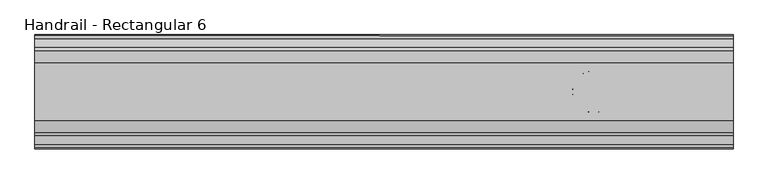
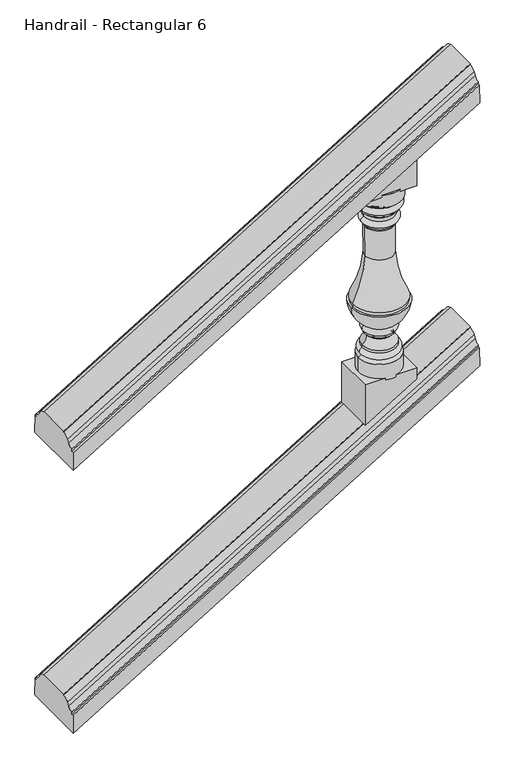
"""IFC4 building model written with IfcOpenShell, lengths in millimetres: railing geometry, Handrail - Rectangular 6."""

from ifc_helpers import new_model, si_unit, point, frame, origin, place, context, project, spatial, polyline, circle_curve, ellipse_curve, trimmed, outline, extrude, source, transform, mapped, element, save
from ifc_brep_helpers import plane_surface, cylinder_surface, revolved_surface, advanced_brep


def handrail_rectangular_6_29228ede(model_context):
    return source(origin(), model_context, "Body", "SolidModel", [
        advanced_brep(
        [(15813.9027138, 3915.5232089, 1199.0074207), (15813.9027138, 3932.6436506, 1210.4791063), (15813.9027138, 3939.1037227, 1221.5403426), (15813.9027138, 3963.1482089, 1232.4207421), (15813.9027138, 3963.1482089, 1236.1333333), (15813.9027138, 4079.0357089, 1236.1333333), (15813.9027138, 4079.0357089, 1232.4207421), (15813.9027138, 4103.080195, 1221.5403426), (15813.9027138, 4109.5402671, 1210.4791063), (15813.9027138, 4126.6607089, 1199.0074207), (15813.9027138, 4126.6607089, 1191.5822381), (15813.9027138, 4133.8044589, 1191.5822381), (15813.9027138, 4135.3919589, 1128.4681866), (15813.9027138, 3906.7919589, 1128.4681866), (15813.9027138, 3908.3794589, 1191.5822381), (15813.9027138, 3915.5232089, 1191.5822381), (17210.9027138, 3915.5232089, 2045.6740873), (17210.9027138, 3915.5232089, 2038.2489048), (17210.9027138, 3908.3794589, 2038.2489048), (17210.9027138, 3906.7919589, 1975.1348533), (17210.9027138, 4135.3919589, 1975.1348533), (17210.9027138, 4133.8044589, 2038.2489048), (17210.9027138, 4126.6607089, 2038.2489048), (17210.9027138, 4126.6607089, 2045.6740873), (17210.9027138, 4109.5402671, 2057.145773), (17210.9027138, 4103.080195, 2068.2070092), (17210.9027138, 4079.0357089, 2079.0874087), (17210.9027138, 4079.0357089, 2082.8), (17210.9027138, 3963.1482089, 2082.8), (17210.9027138, 3963.1482089, 2079.0874087), (17210.9027138, 3939.1037227, 2068.2070092), (17210.9027138, 3932.6436506, 2057.145773)],
        [
            (0, 1, ellipse_curve(frame((15813.9027138, 3915.5232089, 1222.2111161), z_axis=(1.0, 0.0, 0.0), x_axis=(0.0, 0.0, 1.0)), 23.2036954, 19.84375)),
            (1, 2),
            (2, 3, ellipse_curve(frame((15813.9027138, 3963.1482089, 1190.6540903), z_axis=(-1.0, 0.0, 0.0), x_axis=(0.0, 0.0, -1.0)), 41.7666517, 35.71875)),
            (3, 4),
            (4, 5),
            (5, 6),
            (6, 7, ellipse_curve(frame((15813.9027138, 4079.0357089, 1190.6540903), z_axis=(-1.0, 0.0, 0.0), x_axis=(0.0, 0.0, -1.0)), 41.7666517, 35.71875)),
            (7, 8),
            (8, 9, ellipse_curve(frame((15813.9027138, 4126.6607089, 1222.2111161), z_axis=(1.0, 0.0, 0.0), x_axis=(0.0, 0.0, 1.0)), 23.2036954, 19.84375)),
            (9, 10),
            (10, 11),
            (11, 12),
            (12, 13),
            (13, 14),
            (14, 15),
            (15, 0),
            (16, 17),
            (17, 18),
            (18, 19),
            (19, 20),
            (20, 21),
            (21, 22),
            (22, 23),
            (23, 24, ellipse_curve(frame((17210.9027138, 4126.6607089, 2068.8777828), z_axis=(-1.0, 0.0, 0.0), x_axis=(0.0, 0.0, 1.0)), 23.2036954, 19.84375)),
            (24, 25),
            (25, 26, ellipse_curve(frame((17210.9027138, 4079.0357089, 2037.320757), z_axis=(1.0, 0.0, 0.0), x_axis=(0.0, 0.0, -1.0)), 41.7666517, 35.71875)),
            (26, 27),
            (27, 28),
            (28, 29),
            (29, 30, ellipse_curve(frame((17210.9027138, 3963.1482089, 2037.320757), z_axis=(1.0, 0.0, 0.0), x_axis=(0.0, 0.0, -1.0)), 41.7666517, 35.71875)),
            (30, 31),
            (31, 16, ellipse_curve(frame((17210.9027138, 3915.5232089, 2068.8777828), z_axis=(-1.0, 0.0, 0.0), x_axis=(0.0, 0.0, 1.0)), 23.2036954, 19.84375)),
            (0, 16),
            (31, 1),
            (30, 2),
            (29, 3),
            (28, 4),
            (27, 5),
            (26, 6),
            (25, 7),
            (24, 8),
            (23, 9),
            (22, 10),
            (21, 11),
            (20, 12),
            (19, 13),
            (18, 14),
            (17, 15),
        ],
        [
            plane_surface(frame((15813.9027138, 4021.0919589, 1236.1333333), z_axis=(-1.0, 0.0, 0.0), x_axis=(0.0, 1.0, 0.0))),
            plane_surface(frame((17210.9027138, 4021.0919589, 2082.8), z_axis=(1.0, 0.0, 0.0), x_axis=(0.0, 1.0, 0.0))),
            revolved_surface(polyline([(17226.387982704495, 3932.643650672254, 2066.5307845075763), (15808.817883342452, 3932.643650672254, 1207.3973909549572)]), (15820.0737436, 3915.5232089, 1225.9511342), (0.8551978315540539, 0.0, 0.5183017160932848)),
            plane_surface(frame((15813.9027138, 3932.6436506, 1210.4791063), z_axis=(-0.29229904298269416, -0.8258052588880853, 0.482293420921521), x_axis=(0.8551978315540539, 0.0, 0.5183017160932848))),
            cylinder_surface(frame((15834.0614111, 3963.1482089, 1202.8714827), z_axis=(-0.8551978315540539, 0.0, -0.5183017160932848), x_axis=(-0.5183017160932848, 0.0, 0.8551978315540539)), 35.71875),
            plane_surface(frame((15813.9027138, 3963.1482089, 1232.4207421), z_axis=(0.0, -1.0, 0.0), x_axis=(0.8551978315540539, 0.0, 0.5183017160932848))),
            plane_surface(frame((15813.9027138, 3963.1482089, 1236.1333333), z_axis=(-0.5183017160932848, 0.0, 0.8551978315540539), x_axis=(0.8551978315540539, 0.0, 0.5183017160932848))),
            plane_surface(frame((15813.9027138, 4079.0357089, 1236.1333333), z_axis=(0.0, 1.0, 0.0), x_axis=(0.8551978315540539, 0.0, 0.5183017160932848))),
            cylinder_surface(frame((15834.0614111, 4079.0357089, 1202.8714827), z_axis=(-0.8551978315540539, 0.0, -0.5183017160932848), x_axis=(-0.5183017160932848, 0.0, 0.8551978315540539)), 35.71875),
            plane_surface(frame((15813.9027138, 4103.080195, 1221.5403426), z_axis=(-0.29229904298268944, 0.8258052588880915, 0.4822934209215132), x_axis=(0.8551978315540539, 0.0, 0.5183017160932848))),
            revolved_surface(polyline([(17226.387982704495, 4109.540267127746, 2066.5307845075763), (15808.817883342452, 4109.540267127746, 1207.3973909549572)]), (15820.0737436, 4126.6607089, 1225.9511342), (0.855197831554054, 0.0, 0.5183017160932848)),
            plane_surface(frame((15813.9027138, 4126.6607089, 1199.0074207), z_axis=(0.0, 1.0000000000000002, 0.0), x_axis=(0.8551978315540539, 0.0, 0.5183017160932849))),
            plane_surface(frame((15813.9027138, 4126.6607089, 1191.5822381), z_axis=(-0.5183017160932848, 0.0, 0.8551978315540539), x_axis=(0.8551978315540539, 0.0, 0.5183017160932848))),
            plane_surface(frame((15813.9027138, 4133.8044589, 1191.5822381), z_axis=(-0.015237578896775983, 0.9995677544643531, 0.02514200517968431), x_axis=(0.8551978315540539, 0.0, 0.5183017160932848))),
            plane_surface(frame((15813.9027138, 4135.3919589, 1128.4681866), z_axis=(0.5183017160932848, 0.0, -0.855197831554054), x_axis=(0.855197831554054, 0.0, 0.5183017160932848))),
            plane_surface(frame((15813.9027138, 3906.7919589, 1128.4681866), z_axis=(-0.015237578896776148, -0.9995677544643533, 0.02514200517968459), x_axis=(0.855197831554054, 0.0, 0.5183017160932848))),
            plane_surface(frame((15813.9027138, 3908.3794589, 1191.5822381), z_axis=(-0.5183017160932848, 0.0, 0.8551978315540539), x_axis=(0.8551978315540539, 0.0, 0.5183017160932848))),
            plane_surface(frame((15813.9027138, 3915.5232089, 1191.5822381), z_axis=(0.0, -1.0, 0.0), x_axis=(0.8551978315540539, 0.0, 0.5183017160932848))),
        ],
        [
            (0, [[1, 2, 3, 4, 5, 6, 7, 8, 9, 10, 11, 12, 13, 14, 15, 16]]),
            (1, [[17, 18, 19, 20, 21, 22, 23, 24, 25, 26, 27, 28, 29, 30, 31, 32]]),
            (2, [[-1, 33, -32, 34]]),
            (3, [[-2, -34, -31, 35]]),
            (4, [[-3, -35, -30, 36]]),
            (5, [[-4, -36, -29, 37]]),
            (6, [[-5, -37, -28, 38]]),
            (7, [[-6, -38, -27, 39]]),
            (8, [[-7, -39, -26, 40]]),
            (9, [[-8, -40, -25, 41]]),
            (10, [[-9, -41, -24, 42]]),
            (11, [[-10, -42, -23, 43]]),
            (12, [[-11, -43, -22, 44]]),
            (13, [[-12, -44, -21, 45]]),
            (14, [[-13, -45, -20, 46]]),
            (15, [[-14, -46, -19, 47]]),
            (16, [[-15, -47, -18, 48]]),
            (17, [[-16, -48, -17, -33]]),
        ],
    ),
        advanced_brep(
        [(15813.9027138, 3915.5232089, 243.3324207), (15813.9027138, 3932.6436506, 254.8041063), (15813.9027138, 3939.1037227, 265.8653426), (15813.9027138, 3963.1482089, 276.7457421), (15813.9027138, 3963.1482089, 280.4583333), (15813.9027138, 4079.0357089, 280.4583333), (15813.9027138, 4079.0357089, 276.7457421), (15813.9027138, 4103.080195, 265.8653426), (15813.9027138, 4109.5402671, 254.8041063), (15813.9027138, 4126.6607089, 243.3324207), (15813.9027138, 4126.6607089, 235.9072381), (15813.9027138, 4133.8044589, 235.9072381), (15813.9027138, 4135.3919589, 172.7931866), (15813.9027138, 3906.7919589, 172.7931866), (15813.9027138, 3908.3794589, 235.9072381), (15813.9027138, 3915.5232089, 235.9072381), (17210.9027138, 3915.5232089, 1089.9990873), (17210.9027138, 3915.5232089, 1082.5739048), (17210.9027138, 3908.3794589, 1082.5739048), (17210.9027138, 3906.7919589, 1019.4598533), (17210.9027138, 4135.3919589, 1019.4598533), (17210.9027138, 4133.8044589, 1082.5739048), (17210.9027138, 4126.6607089, 1082.5739048), (17210.9027138, 4126.6607089, 1089.9990873), (17210.9027138, 4109.5402671, 1101.470773), (17210.9027138, 4103.080195, 1112.5320092), (17210.9027138, 4079.0357089, 1123.4124087), (17210.9027138, 4079.0357089, 1127.125), (17210.9027138, 3963.1482089, 1127.125), (17210.9027138, 3963.1482089, 1123.4124087), (17210.9027138, 3939.1037227, 1112.5320092), (17210.9027138, 3932.6436506, 1101.470773)],
        [
            (0, 1, ellipse_curve(frame((15813.9027138, 3915.5232089, 266.5361161), z_axis=(1.0, 0.0, 0.0), x_axis=(0.0, 0.0, 1.0)), 23.2036954, 19.84375)),
            (1, 2),
            (2, 3, ellipse_curve(frame((15813.9027138, 3963.1482089, 234.9790903), z_axis=(-1.0, 0.0, 0.0), x_axis=(0.0, 0.0, -1.0)), 41.7666517, 35.71875)),
            (3, 4),
            (4, 5),
            (5, 6),
            (6, 7, ellipse_curve(frame((15813.9027138, 4079.0357089, 234.9790903), z_axis=(-1.0, 0.0, 0.0), x_axis=(0.0, 0.0, -1.0)), 41.7666517, 35.71875)),
            (7, 8),
            (8, 9, ellipse_curve(frame((15813.9027138, 4126.6607089, 266.5361161), z_axis=(1.0, 0.0, 0.0), x_axis=(0.0, 0.0, 1.0)), 23.2036954, 19.84375)),
            (9, 10),
            (10, 11),
            (11, 12),
            (12, 13),
            (13, 14),
            (14, 15),
            (15, 0),
            (16, 17),
            (17, 18),
            (18, 19),
            (19, 20),
            (20, 21),
            (21, 22),
            (22, 23),
            (23, 24, ellipse_curve(frame((17210.9027138, 4126.6607089, 1113.2027828), z_axis=(-1.0, 0.0, 0.0), x_axis=(0.0, 0.0, 1.0)), 23.2036954, 19.84375)),
            (24, 25),
            (25, 26, ellipse_curve(frame((17210.9027138, 4079.0357089, 1081.645757), z_axis=(1.0, 0.0, 0.0), x_axis=(0.0, 0.0, -1.0)), 41.7666517, 35.71875)),
            (26, 27),
            (27, 28),
            (28, 29),
            (29, 30, ellipse_curve(frame((17210.9027138, 3963.1482089, 1081.645757), z_axis=(1.0, 0.0, 0.0), x_axis=(0.0, 0.0, -1.0)), 41.7666517, 35.71875)),
            (30, 31),
            (31, 16, ellipse_curve(frame((17210.9027138, 3915.5232089, 1113.2027828), z_axis=(-1.0, 0.0, 0.0), x_axis=(0.0, 0.0, 1.0)), 23.2036954, 19.84375)),
            (0, 16),
            (31, 1),
            (30, 2),
            (29, 3),
            (28, 4),
            (27, 5),
            (26, 6),
            (25, 7),
            (24, 8),
            (23, 9),
            (22, 10),
            (21, 11),
            (20, 12),
            (19, 13),
            (18, 14),
            (17, 15),
        ],
        [
            plane_surface(frame((15813.9027138, 4021.0919589, 280.4583333), z_axis=(-1.0, 0.0, 0.0), x_axis=(0.0, 1.0, 0.0))),
            plane_surface(frame((17210.9027138, 4021.0919589, 1127.125), z_axis=(1.0, 0.0, 0.0), x_axis=(0.0, 1.0, 0.0))),
            revolved_surface(polyline([(17226.387982704495, 3932.643650672254, 1110.8557845075768), (15808.817883342452, 3932.643650672254, 251.72239095495712)]), (15820.0737436, 3915.5232089, 270.2761342), (0.8551978315540539, 0.0, 0.518301716093285)),
            plane_surface(frame((15813.9027138, 3932.6436506, 254.8041063), z_axis=(-0.29229904298269427, -0.8258052588880855, 0.4822934209215209), x_axis=(0.8551978315540539, 0.0, 0.518301716093285))),
            cylinder_surface(frame((15834.0614111, 3963.1482089, 247.1964827), z_axis=(-0.8551978315540539, 0.0, -0.518301716093285), x_axis=(-0.518301716093285, 0.0, 0.8551978315540539)), 35.71875),
            plane_surface(frame((15813.9027138, 3963.1482089, 276.7457421), z_axis=(0.0, -1.0000000000000002, 0.0), x_axis=(0.8551978315540539, 0.0, 0.518301716093285))),
            plane_surface(frame((15813.9027138, 3963.1482089, 280.4583333), z_axis=(-0.518301716093285, 0.0, 0.8551978315540539), x_axis=(0.8551978315540539, 0.0, 0.518301716093285))),
            plane_surface(frame((15813.9027138, 4079.0357089, 280.4583333), z_axis=(0.0, 1.0000000000000002, 0.0), x_axis=(0.8551978315540539, 0.0, 0.518301716093285))),
            cylinder_surface(frame((15834.0614111, 4079.0357089, 247.1964827), z_axis=(-0.8551978315540539, 0.0, -0.518301716093285), x_axis=(-0.518301716093285, 0.0, 0.8551978315540539)), 35.71875),
            plane_surface(frame((15813.9027138, 4103.080195, 265.8653426), z_axis=(-0.2922990429826896, 0.8258052588880918, 0.4822934209215132), x_axis=(0.8551978315540539, 0.0, 0.518301716093285))),
            revolved_surface(polyline([(17226.387982704495, 4109.540267127746, 1110.8557845075768), (15808.817883342452, 4109.540267127746, 251.72239095495718)]), (15820.0737436, 4126.6607089, 270.2761342), (0.8551978315540539, 0.0, 0.518301716093285)),
            plane_surface(frame((15813.9027138, 4126.6607089, 243.3324207), z_axis=(0.0, 1.0000000000000002, 0.0), x_axis=(0.8551978315540539, 0.0, 0.518301716093285))),
            plane_surface(frame((15813.9027138, 4126.6607089, 235.9072381), z_axis=(-0.518301716093285, 0.0, 0.8551978315540539), x_axis=(0.8551978315540539, 0.0, 0.518301716093285))),
            plane_surface(frame((15813.9027138, 4133.8044589, 235.9072381), z_axis=(-0.015237578896775988, 0.9995677544643533, 0.02514200517968431), x_axis=(0.8551978315540539, 0.0, 0.518301716093285))),
            plane_surface(frame((15813.9027138, 4135.3919589, 172.7931866), z_axis=(0.518301716093285, 0.0, -0.8551978315540539), x_axis=(0.8551978315540539, 0.0, 0.518301716093285))),
            plane_surface(frame((15813.9027138, 3906.7919589, 172.7931866), z_axis=(-0.015237578896776153, -0.9995677544643533, 0.02514200517968458), x_axis=(0.8551978315540539, 0.0, 0.518301716093285))),
            plane_surface(frame((15813.9027138, 3908.3794589, 235.9072381), z_axis=(-0.518301716093285, 0.0, 0.8551978315540539), x_axis=(0.8551978315540539, 0.0, 0.518301716093285))),
            plane_surface(frame((15813.9027138, 3915.5232089, 235.9072381), z_axis=(0.0, -1.0000000000000002, 0.0), x_axis=(0.8551978315540539, 0.0, 0.518301716093285))),
        ],
        [
            (0, [[1, 2, 3, 4, 5, 6, 7, 8, 9, 10, 11, 12, 13, 14, 15, 16]]),
            (1, [[17, 18, 19, 20, 21, 22, 23, 24, 25, 26, 27, 28, 29, 30, 31, 32]]),
            (2, [[-1, 33, -32, 34]]),
            (3, [[-2, -34, -31, 35]]),
            (4, [[-3, -35, -30, 36]]),
            (5, [[-4, -36, -29, 37]]),
            (6, [[-5, -37, -28, 38]]),
            (7, [[-6, -38, -27, 39]]),
            (8, [[-7, -39, -26, 40]]),
            (9, [[-8, -40, -25, 41]]),
            (10, [[-9, -41, -24, 42]]),
            (11, [[-10, -42, -23, 43]]),
            (12, [[-11, -43, -22, 44]]),
            (13, [[-12, -44, -21, 45]]),
            (14, [[-13, -45, -20, 46]]),
            (15, [[-14, -46, -19, 47]]),
            (16, [[-15, -47, -18, 48]]),
            (17, [[-16, -48, -17, -33]]),
        ],
    ),
        advanced_brep(
        [(16855.3027138, 4021.0919589, 1719.9340933), (17007.7027138, 4021.0919589, 1719.9340933), (16931.5027138, 4021.0919589, 1719.9340933), (16855.3027138, 4021.0919589, 1674.2130291), (17007.7027138, 4021.0919589, 1674.2130291), (16867.4317502, 4021.0919589, 1662.9967842), (16995.5736774, 4021.0919589, 1662.9967842), (16867.6769912, 4021.0919589, 1639.9588287), (16995.3284364, 4021.0919589, 1639.9588287), (16867.6769912, 4021.0919589, 1631.8710315), (16995.3284364, 4021.0919589, 1631.8710315), (16876.5055103, 4021.0919589, 1623.2930703), (16986.4999173, 4021.0919589, 1623.2930703), (16878.8417878, 4021.0919589, 1608.9881453), (16984.1636397, 4021.0919589, 1608.9881453), (16878.8417878, 4021.0919589, 1586.9305308), (16984.1636397, 4021.0919589, 1586.9305308), (16878.8417878, 4021.0919589, 1578.6465933), (16984.1636397, 4021.0919589, 1578.6465933), (16882.714095, 4021.0919589, 1570.9264322), (16980.2913325, 4021.0919589, 1570.9264322), (16883.5235709, 4021.0919589, 1464.7476495), (16979.4818566, 4021.0919589, 1464.7476495), (16839.9642735, 4021.0919589, 1304.8028433), (17023.041154, 4021.0919589, 1304.8028433), (16842.066154, 4021.0919589, 1304.8028433), (17020.9392735, 4021.0919589, 1304.8028433), (16842.066154, 4021.0919589, 1292.1028433), (17020.9392735, 4021.0919589, 1292.1028433), (16834.6652138, 4021.0919589, 1292.1028433), (17028.3402138, 4021.0919589, 1292.1028433), (16880.5912706, 4021.0919589, 1214.7364388), (16982.4141569, 4021.0919589, 1214.7364388), (16880.7326309, 4021.0919589, 1191.3728619), (16982.2727966, 4021.0919589, 1191.3728619), (16880.7326309, 4021.0919589, 1183.8932293), (16982.2727966, 4021.0919589, 1183.8932293), (16888.684671, 4021.0919589, 1175.0111645), (16974.3207565, 4021.0919589, 1175.0111645), (16873.7161377, 4021.0919589, 1143.2227214), (16989.2892899, 4021.0919589, 1143.2227214), (16873.7161377, 4021.0919589, 1133.8731856), (16989.2892899, 4021.0919589, 1133.8731856), (16871.3772921, 4021.0919589, 1112.3692396), (16991.6281354, 4021.0919589, 1112.3692396), (16859.2924308, 4021.0919589, 1102.5757839), (17003.7129967, 4021.0919589, 1102.5757839), (16859.2924308, 4021.0919589, 1043.6590933), (17003.7129967, 4021.0919589, 1043.6590933), (16931.5027138, 4021.0919589, 1043.6590933)],
        [
            (0, 1, circle_curve(frame((16931.5027138, 4021.0919589, 1719.9340933), z_axis=(0.0, 0.0, 1.0), x_axis=(1.0, 0.0, 0.0)), 76.2)),
            (1, 2),
            (2, 0),
            (1, 0, circle_curve(frame((16931.5027138, 4021.0919589, 1719.9340933), z_axis=(0.0, 0.0, 1.0), x_axis=(1.0, 0.0, 0.0)), 76.2)),
            (3, 4, circle_curve(frame((16931.5027138, 4021.0919589, 1674.2130291), z_axis=(0.0, 0.0, 1.0), x_axis=(1.0, 0.0, 0.0)), 76.2)),
            (4, 1),
            (0, 3),
            (4, 3, circle_curve(frame((16931.5027138, 4021.0919589, 1674.2130291), z_axis=(0.0, 0.0, 1.0), x_axis=(1.0, 0.0, 0.0)), 76.2)),
            (5, 6, circle_curve(frame((16931.5027138, 4021.0919589, 1662.9967842), z_axis=(0.0, 0.0, 1.0), x_axis=(1.0, 0.0, 0.0)), 64.0709636)),
            (6, 4, circle_curve(frame((17007.7162278, 4021.0919589, 1662.0322367), z_axis=(0.0, 1.0, 0.0), x_axis=(-1.0, 0.0, 0.0)), 12.1807998)),
            (3, 5, circle_curve(frame((16855.2891997, 4021.0919589, 1662.0322367), z_axis=(0.0, 1.0, 0.0), x_axis=(1.0, 0.0, 0.0)), 12.1807998)),
            (6, 5, circle_curve(frame((16931.5027138, 4021.0919589, 1662.9967842), z_axis=(0.0, 0.0, 1.0), x_axis=(1.0, 0.0, 0.0)), 64.0709636)),
            (7, 8, circle_curve(frame((16931.5027138, 4021.0919589, 1639.9588287), z_axis=(0.0, 0.0, 1.0), x_axis=(1.0, 0.0, 0.0)), 63.8257226)),
            (8, 6, circle_curve(frame((16993.162344, 4021.0919589, 1651.50217), z_axis=(0.0, -1.0, 0.0), x_axis=(-1.0, 0.0, 0.0)), 11.7448152)),
            (5, 7, circle_curve(frame((16869.8430835, 4021.0919589, 1651.50217), z_axis=(0.0, -1.0, 0.0), x_axis=(1.0, 0.0, 0.0)), 11.7448152)),
            (8, 7, circle_curve(frame((16931.5027138, 4021.0919589, 1639.9588287), z_axis=(0.0, 0.0, 1.0), x_axis=(1.0, 0.0, 0.0)), 63.8257226)),
            (9, 10, circle_curve(frame((16931.5027138, 4021.0919589, 1631.8710315), z_axis=(0.0, 0.0, 1.0), x_axis=(1.0, 0.0, 0.0)), 63.8257226)),
            (10, 8),
            (7, 9),
            (10, 9, circle_curve(frame((16931.5027138, 4021.0919589, 1631.8710315), z_axis=(0.0, 0.0, 1.0), x_axis=(1.0, 0.0, 0.0)), 63.8257226)),
            (11, 12, circle_curve(frame((16931.5027138, 4021.0919589, 1623.2930703), z_axis=(0.0, 0.0, 1.0), x_axis=(1.0, 0.0, 0.0)), 54.9972035)),
            (12, 10, circle_curve(frame((16999.7304457, 4021.0919589, 1618.5082632), z_axis=(0.0, 1.0, 0.0), x_axis=(-1.0, 0.0, 0.0)), 14.06916)),
            (9, 11, circle_curve(frame((16863.2749818, 4021.0919589, 1618.5082632), z_axis=(0.0, 1.0, 0.0), x_axis=(1.0, 0.0, 0.0)), 14.06916)),
            (12, 11, circle_curve(frame((16931.5027138, 4021.0919589, 1623.2930703), z_axis=(0.0, 0.0, 1.0), x_axis=(1.0, 0.0, 0.0)), 54.9972035)),
            (13, 14, circle_curve(frame((16931.5027138, 4021.0919589, 1608.9881453), z_axis=(0.0, 0.0, 1.0), x_axis=(1.0, 0.0, 0.0)), 52.660926)),
            (14, 12, circle_curve(frame((17013.1227722, 4021.0919589, 1611.6017881), z_axis=(0.0, 1.0, 0.0), x_axis=(-1.0, 0.0, 0.0)), 29.0768376)),
            (11, 13, circle_curve(frame((16849.8826553, 4021.0919589, 1611.6017881), z_axis=(0.0, 1.0, 0.0), x_axis=(1.0, 0.0, 0.0)), 29.0768376)),
            (14, 13, circle_curve(frame((16931.5027138, 4021.0919589, 1608.9881453), z_axis=(0.0, 0.0, 1.0), x_axis=(1.0, 0.0, 0.0)), 52.660926)),
            (15, 16, circle_curve(frame((16931.5027138, 4021.0919589, 1586.9305308), z_axis=(0.0, 0.0, 1.0), x_axis=(1.0, 0.0, 0.0)), 52.660926)),
            (16, 14, circle_curve(frame((16983.7094065, 4021.0919589, 1597.9593381), z_axis=(0.0, -1.0, 0.0), x_axis=(-1.0, 0.0, 0.0)), 11.0381573)),
            (13, 15, circle_curve(frame((16879.296021, 4021.0919589, 1597.9593381), z_axis=(0.0, -1.0, 0.0), x_axis=(1.0, 0.0, 0.0)), 11.0381573)),
            (16, 15, circle_curve(frame((16931.5027138, 4021.0919589, 1586.9305308), z_axis=(0.0, 0.0, 1.0), x_axis=(1.0, 0.0, 0.0)), 52.660926)),
            (17, 18, circle_curve(frame((16931.5027138, 4021.0919589, 1578.6465933), z_axis=(0.0, 0.0, 1.0), x_axis=(1.0, 0.0, 0.0)), 52.660926)),
            (18, 16),
            (15, 17),
            (18, 17, circle_curve(frame((16931.5027138, 4021.0919589, 1578.6465933), z_axis=(0.0, 0.0, 1.0), x_axis=(1.0, 0.0, 0.0)), 52.660926)),
            (19, 20, circle_curve(frame((16931.5027138, 4021.0919589, 1570.9264322), z_axis=(0.0, 0.0, 1.0), x_axis=(1.0, 0.0, 0.0)), 48.7886187)),
            (20, 18, circle_curve(frame((16991.5302832, 4021.0919589, 1570.1203811), z_axis=(0.0, 1.0, 0.0), x_axis=(-1.0, 0.0, 0.0)), 11.2678184)),
            (17, 19, circle_curve(frame((16871.4751443, 4021.0919589, 1570.1203811), z_axis=(0.0, 1.0, 0.0), x_axis=(1.0, 0.0, 0.0)), 11.2678184)),
            (20, 19, circle_curve(frame((16931.5027138, 4021.0919589, 1570.9264322), z_axis=(0.0, 0.0, 1.0), x_axis=(1.0, 0.0, 0.0)), 48.7886187)),
            (21, 22, circle_curve(frame((16931.5027138, 4021.0919589, 1464.7476495), z_axis=(0.0, 0.0, 1.0), x_axis=(1.0, 0.0, 0.0)), 47.9791428)),
            (22, 20, circle_curve(frame((17808.6224017, 4021.0919589, 1511.519002), z_axis=(0.0, 1.0, 0.0), x_axis=(-1.0, 0.0, 0.0)), 830.4586702)),
            (19, 21, circle_curve(frame((16054.3830258, 4021.0919589, 1511.519002), z_axis=(0.0, 1.0, 0.0), x_axis=(1.0, 0.0, 0.0)), 830.4586702)),
            (22, 21, circle_curve(frame((16931.5027138, 4021.0919589, 1464.7476495), z_axis=(0.0, 0.0, 1.0), x_axis=(1.0, 0.0, 0.0)), 47.9791428)),
            (23, 24, circle_curve(frame((16931.5027138, 4021.0919589, 1304.8028433), z_axis=(0.0, 0.0, 1.0), x_axis=(1.0, 0.0, 0.0)), 91.5384403)),
            (24, 22, circle_curve(frame((17377.3136369, 4021.0919589, 1487.1891168), z_axis=(0.0, 1.0, 0.0), x_axis=(-1.0, 0.0, 0.0)), 398.4642329)),
            (21, 23, circle_curve(frame((16485.6917906, 4021.0919589, 1487.1891168), z_axis=(0.0, 1.0, 0.0), x_axis=(1.0, 0.0, 0.0)), 398.4642329)),
            (24, 23, circle_curve(frame((16931.5027138, 4021.0919589, 1304.8028433), z_axis=(0.0, 0.0, 1.0), x_axis=(1.0, 0.0, 0.0)), 91.5384403)),
            (25, 26, circle_curve(frame((16931.5027138, 4021.0919589, 1304.8028433), z_axis=(0.0, 0.0, 1.0), x_axis=(1.0, 0.0, 0.0)), 89.4365597)),
            (26, 24),
            (23, 25),
            (26, 25, circle_curve(frame((16931.5027138, 4021.0919589, 1304.8028433), z_axis=(0.0, 0.0, 1.0), x_axis=(1.0, 0.0, 0.0)), 89.4365597)),
            (27, 28, circle_curve(frame((16931.5027138, 4021.0919589, 1292.1028433), z_axis=(0.0, 0.0, 1.0), x_axis=(1.0, 0.0, 0.0)), 89.4365597)),
            (28, 26),
            (25, 27),
            (28, 27, circle_curve(frame((16931.5027138, 4021.0919589, 1292.1028433), z_axis=(0.0, 0.0, 1.0), x_axis=(1.0, 0.0, 0.0)), 89.4365597)),
            (29, 30, circle_curve(frame((16931.5027138, 4021.0919589, 1292.1028433), z_axis=(0.0, 0.0, 1.0), x_axis=(1.0, 0.0, 0.0)), 96.8375)),
            (30, 28),
            (27, 29),
            (30, 29, circle_curve(frame((16931.5027138, 4021.0919589, 1292.1028433), z_axis=(0.0, 0.0, 1.0), x_axis=(1.0, 0.0, 0.0)), 96.8375)),
            (31, 32, circle_curve(frame((16931.5027138, 4021.0919589, 1214.7364388), z_axis=(0.0, 0.0, 1.0), x_axis=(1.0, 0.0, 0.0)), 50.9114432)),
            (32, 30, circle_curve(frame((16923.8610284, 4021.0919589, 1301.8090639), z_axis=(0.0, -1.0, 0.0), x_axis=(-1.0, 0.0, 0.0)), 104.9290756)),
            (29, 31, circle_curve(frame((16939.1443992, 4021.0919589, 1301.8090639), z_axis=(0.0, -1.0, 0.0), x_axis=(1.0, 0.0, 0.0)), 104.9290756)),
            (32, 31, circle_curve(frame((16931.5027138, 4021.0919589, 1214.7364388), z_axis=(0.0, 0.0, 1.0), x_axis=(1.0, 0.0, 0.0)), 50.9114432)),
            (33, 34, circle_curve(frame((16931.5027138, 4021.0919589, 1191.3728619), z_axis=(0.0, 0.0, 1.0), x_axis=(1.0, 0.0, 0.0)), 50.7700828)),
            (34, 32, circle_curve(frame((16977.0408029, 4021.0919589, 1203.086734), z_axis=(0.0, -1.0, 0.0), x_axis=(-1.0, 0.0, 0.0)), 12.8292072)),
            (31, 33, circle_curve(frame((16885.9646246, 4021.0919589, 1203.086734), z_axis=(0.0, -1.0, 0.0), x_axis=(1.0, 0.0, 0.0)), 12.8292072)),
            (34, 33, circle_curve(frame((16931.5027138, 4021.0919589, 1191.3728619), z_axis=(0.0, 0.0, 1.0), x_axis=(1.0, 0.0, 0.0)), 50.7700828)),
            (35, 36, circle_curve(frame((16931.5027138, 4021.0919589, 1183.8932293), z_axis=(0.0, 0.0, 1.0), x_axis=(1.0, 0.0, 0.0)), 50.7700828)),
            (36, 34),
            (33, 35),
            (36, 35, circle_curve(frame((16931.5027138, 4021.0919589, 1183.8932293), z_axis=(0.0, 0.0, 1.0), x_axis=(1.0, 0.0, 0.0)), 50.7700828)),
            (37, 38, circle_curve(frame((16931.5027138, 4021.0919589, 1175.0111645), z_axis=(0.0, 0.0, 1.0), x_axis=(1.0, 0.0, 0.0)), 42.8180427)),
            (38, 36, circle_curve(frame((16984.2181347, 4021.0919589, 1174.1508534), z_axis=(0.0, 1.0, 0.0), x_axis=(-1.0, 0.0, 0.0)), 9.9346983)),
            (35, 37, circle_curve(frame((16878.7872929, 4021.0919589, 1174.1508534), z_axis=(0.0, 1.0, 0.0), x_axis=(1.0, 0.0, 0.0)), 9.9346983)),
            (38, 37, circle_curve(frame((16931.5027138, 4021.0919589, 1175.0111645), z_axis=(0.0, 0.0, 1.0), x_axis=(1.0, 0.0, 0.0)), 42.8180427)),
            (39, 40, circle_curve(frame((16931.5027138, 4021.0919589, 1143.2227214), z_axis=(0.0, 0.0, 1.0), x_axis=(1.0, 0.0, 0.0)), 57.7865761)),
            (40, 38, circle_curve(frame((17009.1330751, 4021.0919589, 1171.9851686), z_axis=(0.0, 1.0, 0.0), x_axis=(-1.0, 0.0, 0.0)), 34.9435857)),
            (37, 39, circle_curve(frame((16853.8723524, 4021.0919589, 1171.9851686), z_axis=(0.0, 1.0, 0.0), x_axis=(1.0, 0.0, 0.0)), 34.9435857)),
            (40, 39, circle_curve(frame((16931.5027138, 4021.0919589, 1143.2227214), z_axis=(0.0, 0.0, 1.0), x_axis=(1.0, 0.0, 0.0)), 57.7865761)),
            (41, 42, circle_curve(frame((16931.5027138, 4021.0919589, 1133.8731856), z_axis=(0.0, 0.0, 1.0), x_axis=(1.0, 0.0, 0.0)), 57.7865761)),
            (42, 40),
            (39, 41),
            (42, 41, circle_curve(frame((16931.5027138, 4021.0919589, 1133.8731856), z_axis=(0.0, 0.0, 1.0), x_axis=(1.0, 0.0, 0.0)), 57.7865761)),
            (43, 44, circle_curve(frame((16931.5027138, 4021.0919589, 1112.3692396), z_axis=(0.0, 0.0, 1.0), x_axis=(1.0, 0.0, 0.0)), 60.1254216)),
            (44, 42, circle_curve(frame((16988.675307, 4021.0919589, 1122.9272431), z_axis=(0.0, -1.0, 0.0), x_axis=(-1.0, 0.0, 0.0)), 10.9631488)),
            (41, 43, circle_curve(frame((16874.3301206, 4021.0919589, 1122.9272431), z_axis=(0.0, -1.0, 0.0), x_axis=(1.0, 0.0, 0.0)), 10.9631488)),
            (44, 43, circle_curve(frame((16931.5027138, 4021.0919589, 1112.3692396), z_axis=(0.0, 0.0, 1.0), x_axis=(1.0, 0.0, 0.0)), 60.1254216)),
            (45, 46, circle_curve(frame((16931.5027138, 4021.0919589, 1102.5757839), z_axis=(0.0, 0.0, 1.0), x_axis=(1.0, 0.0, 0.0)), 72.210283)),
            (46, 44, circle_curve(frame((17009.8438996, 4021.0919589, 1122.4940783), z_axis=(0.0, 1.0, 0.0), x_axis=(-1.0, 0.0, 0.0)), 20.8404996)),
            (43, 45, circle_curve(frame((16853.1615279, 4021.0919589, 1122.4940783), z_axis=(0.0, 1.0, 0.0), x_axis=(1.0, 0.0, 0.0)), 20.8404996)),
            (46, 45, circle_curve(frame((16931.5027138, 4021.0919589, 1102.5757839), z_axis=(0.0, 0.0, 1.0), x_axis=(1.0, 0.0, 0.0)), 72.210283)),
            (47, 48, circle_curve(frame((16931.5027138, 4021.0919589, 1043.6590933), z_axis=(0.0, 0.0, 1.0), x_axis=(1.0, 0.0, 0.0)), 72.210283)),
            (48, 46),
            (45, 47),
            (48, 47, circle_curve(frame((16931.5027138, 4021.0919589, 1043.6590933), z_axis=(0.0, 0.0, 1.0), x_axis=(1.0, 0.0, 0.0)), 72.210283)),
            (49, 48),
            (47, 49),
        ],
        [
            plane_surface(frame((16931.5027138, 4021.0919589, 1719.9340933), z_axis=(0.0, 0.0, 1.0), x_axis=(1.0, 0.0, 0.0))),
            cylinder_surface(frame((16931.5027138, 4021.0919589, 1672.3090933), z_axis=(0.0, 0.0, -1.0), x_axis=(1.0, 0.0, 0.0)), 76.2),
            revolved_surface(trimmed(ellipse_curve(frame((17007.7162278, 4021.0919589, 1662.0322367), z_axis=(0.0, -1.0, 0.0), x_axis=(-1.0, 0.0, 0.0)), 12.1807998, 12.1807998), [point((17007.7027138, 4021.0919589, 1674.2130291))], [point((16995.5736774, 4021.0919589, 1662.9967842))], True, "CARTESIAN"), (16931.5027138, 4021.0919589, 1672.3090933), (0.0, 0.0, -1.0)),
            revolved_surface(trimmed(ellipse_curve(frame((16993.162344, 4021.0919589, 1651.50217), z_axis=(0.0, 1.0, 0.0), x_axis=(-1.0, 0.0, 0.0)), 11.7448152, 11.7448152), [point((16995.5736774, 4021.0919589, 1662.9967842))], [point((16995.3284364, 4021.0919589, 1639.9588287))], True, "CARTESIAN"), (16931.5027138, 4021.0919589, 1672.3090933), (0.0, 0.0, -1.0)),
            cylinder_surface(frame((16931.5027138, 4021.0919589, 1672.3090933), z_axis=(0.0, 0.0, -1.0), x_axis=(1.0, 0.0, 0.0)), 63.8257226),
            revolved_surface(trimmed(ellipse_curve(frame((16999.7304457, 4021.0919589, 1618.5082632), z_axis=(0.0, -1.0, 0.0), x_axis=(-1.0, 0.0, 0.0)), 14.06916, 14.06916), [point((16995.3284364, 4021.0919589, 1631.8710315))], [point((16986.4999173, 4021.0919589, 1623.2930703))], True, "CARTESIAN"), (16931.5027138, 4021.0919589, 1672.3090933), (0.0, 0.0, -1.0)),
            revolved_surface(trimmed(ellipse_curve(frame((17013.1227722, 4021.0919589, 1611.6017881), z_axis=(0.0, -1.0, 0.0), x_axis=(-1.0, 0.0, 0.0)), 29.0768376, 29.0768376), [point((16986.4999173, 4021.0919589, 1623.2930703))], [point((16984.1636397, 4021.0919589, 1608.9881453))], True, "CARTESIAN"), (16931.5027138, 4021.0919589, 1672.3090933), (0.0, 0.0, -1.0)),
            revolved_surface(trimmed(ellipse_curve(frame((16983.7094065, 4021.0919589, 1597.9593381), z_axis=(0.0, 1.0, 0.0), x_axis=(-1.0, 0.0, 0.0)), 11.0381573, 11.0381573), [point((16984.1636397, 4021.0919589, 1608.9881453))], [point((16984.1636397, 4021.0919589, 1586.9305308))], True, "CARTESIAN"), (16931.5027138, 4021.0919589, 1672.3090933), (0.0, 0.0, -1.0)),
            cylinder_surface(frame((16931.5027138, 4021.0919589, 1672.3090933), z_axis=(0.0, 0.0, -1.0), x_axis=(1.0, 0.0, 0.0)), 52.660926),
            revolved_surface(trimmed(ellipse_curve(frame((16991.5302832, 4021.0919589, 1570.1203811), z_axis=(0.0, -1.0, 0.0), x_axis=(-1.0, 0.0, 0.0)), 11.2678184, 11.2678184), [point((16984.1636397, 4021.0919589, 1578.6465933))], [point((16980.2913325, 4021.0919589, 1570.9264322))], True, "CARTESIAN"), (16931.5027138, 4021.0919589, 1672.3090933), (0.0, 0.0, -1.0)),
            revolved_surface(trimmed(ellipse_curve(frame((17808.6224017, 4021.0919589, 1511.519002), z_axis=(0.0, -1.0, 0.0), x_axis=(-1.0, 0.0, 0.0)), 830.4586702, 830.4586702), [point((16980.2913325, 4021.0919589, 1570.9264322))], [point((16979.4818566, 4021.0919589, 1464.7476495))], True, "CARTESIAN"), (16931.5027138, 4021.0919589, 1672.3090933), (0.0, 0.0, -1.0)),
            revolved_surface(trimmed(ellipse_curve(frame((17377.3136369, 4021.0919589, 1487.1891168), z_axis=(0.0, -1.0, 0.0), x_axis=(-1.0, 0.0, 0.0)), 398.4642329, 398.4642329), [point((16979.4818566, 4021.0919589, 1464.7476495))], [point((17023.041154, 4021.0919589, 1304.8028433))], True, "CARTESIAN"), (16931.5027138, 4021.0919589, 1672.3090933), (0.0, 0.0, -1.0)),
            plane_surface(frame((16931.5027138, 4021.0919589, 1304.8028433), z_axis=(0.0, 0.0, -1.0), x_axis=(1.0, 0.0, 0.0))),
            cylinder_surface(frame((16931.5027138, 4021.0919589, 1672.3090933), z_axis=(0.0, 0.0, -1.0), x_axis=(1.0, 0.0, 0.0)), 89.4365597),
            plane_surface(frame((16931.5027138, 4021.0919589, 1292.1028433), z_axis=(0.0, 0.0, 1.0), x_axis=(1.0, 0.0, 0.0))),
            revolved_surface(trimmed(ellipse_curve(frame((16923.8610284, 4021.0919589, 1301.8090639), z_axis=(0.0, 1.0, 0.0), x_axis=(-1.0, 0.0, 0.0)), 104.9290756, 104.9290756), [point((17028.3402138, 4021.0919589, 1292.1028433))], [point((16982.4141569, 4021.0919589, 1214.7364388))], True, "CARTESIAN"), (16931.5027138, 4021.0919589, 1672.3090933), (0.0, 0.0, -1.0)),
            revolved_surface(trimmed(ellipse_curve(frame((16977.0408029, 4021.0919589, 1203.086734), z_axis=(0.0, 1.0, 0.0), x_axis=(-1.0, 0.0, 0.0)), 12.8292072, 12.8292072), [point((16982.4141569, 4021.0919589, 1214.7364388))], [point((16982.2727966, 4021.0919589, 1191.3728619))], True, "CARTESIAN"), (16931.5027138, 4021.0919589, 1672.3090933), (0.0, 0.0, -1.0)),
            cylinder_surface(frame((16931.5027138, 4021.0919589, 1672.3090933), z_axis=(0.0, 0.0, -1.0), x_axis=(1.0, 0.0, 0.0)), 50.7700828),
            revolved_surface(trimmed(ellipse_curve(frame((16984.2181347, 4021.0919589, 1174.1508534), z_axis=(0.0, -1.0, 0.0), x_axis=(-1.0, 0.0, 0.0)), 9.9346983, 9.9346983), [point((16982.2727966, 4021.0919589, 1183.8932293))], [point((16974.3207565, 4021.0919589, 1175.0111645))], True, "CARTESIAN"), (16931.5027138, 4021.0919589, 1672.3090933), (0.0, 0.0, -1.0)),
            revolved_surface(trimmed(ellipse_curve(frame((17009.1330751, 4021.0919589, 1171.9851686), z_axis=(0.0, -1.0, 0.0), x_axis=(-1.0, 0.0, 0.0)), 34.9435857, 34.9435857), [point((16974.3207565, 4021.0919589, 1175.0111645))], [point((16989.2892899, 4021.0919589, 1143.2227214))], True, "CARTESIAN"), (16931.5027138, 4021.0919589, 1672.3090933), (0.0, 0.0, -1.0)),
            cylinder_surface(frame((16931.5027138, 4021.0919589, 1672.3090933), z_axis=(0.0, 0.0, -1.0), x_axis=(1.0, 0.0, 0.0)), 57.7865761),
            revolved_surface(trimmed(ellipse_curve(frame((16988.675307, 4021.0919589, 1122.9272431), z_axis=(0.0, 1.0, 0.0), x_axis=(-1.0, 0.0, 0.0)), 10.9631488, 10.9631488), [point((16989.2892899, 4021.0919589, 1133.8731856))], [point((16991.6281354, 4021.0919589, 1112.3692396))], True, "CARTESIAN"), (16931.5027138, 4021.0919589, 1672.3090933), (0.0, 0.0, -1.0)),
            revolved_surface(trimmed(ellipse_curve(frame((17009.8438996, 4021.0919589, 1122.4940783), z_axis=(0.0, -1.0, 0.0), x_axis=(-1.0, 0.0, 0.0)), 20.8404996, 20.8404996), [point((16991.6281354, 4021.0919589, 1112.3692396))], [point((17003.7129967, 4021.0919589, 1102.5757839))], True, "CARTESIAN"), (16931.5027138, 4021.0919589, 1672.3090933), (0.0, 0.0, -1.0)),
            cylinder_surface(frame((16931.5027138, 4021.0919589, 1672.3090933), z_axis=(0.0, 0.0, -1.0), x_axis=(1.0, 0.0, 0.0)), 72.210283),
            plane_surface(frame((16931.5027138, 4021.0919589, 1043.6590933), z_axis=(0.0, 0.0, -1.0), x_axis=(1.0, 0.0, 0.0))),
        ],
        [
            (0, [[1, 2, 3]]),
            (0, [[4, -3, -2]]),
            (1, [[5, 6, -1, 7]]),
            (1, [[8, -7, -4, -6]]),
            (2, [[9, 10, -5, 11]]),
            (2, [[12, -11, -8, -10]]),
            (3, [[13, 14, -9, 15]]),
            (3, [[16, -15, -12, -14]]),
            (4, [[17, 18, -13, 19]]),
            (4, [[20, -19, -16, -18]]),
            (5, [[21, 22, -17, 23]]),
            (5, [[24, -23, -20, -22]]),
            (6, [[25, 26, -21, 27]]),
            (6, [[28, -27, -24, -26]]),
            (7, [[29, 30, -25, 31]]),
            (7, [[32, -31, -28, -30]]),
            (8, [[33, 34, -29, 35]]),
            (8, [[36, -35, -32, -34]]),
            (9, [[37, 38, -33, 39]]),
            (9, [[40, -39, -36, -38]]),
            (10, [[41, 42, -37, 43]]),
            (10, [[44, -43, -40, -42]]),
            (11, [[45, 46, -41, 47]]),
            (11, [[48, -47, -44, -46]]),
            (12, [[49, 50, -45, 51]]),
            (12, [[52, -51, -48, -50]]),
            (13, [[53, 54, -49, 55]]),
            (13, [[56, -55, -52, -54]]),
            (14, [[57, 58, -53, 59]]),
            (14, [[60, -59, -56, -58]]),
            (15, [[61, 62, -57, 63]]),
            (15, [[64, -63, -60, -62]]),
            (16, [[65, 66, -61, 67]]),
            (16, [[68, -67, -64, -66]]),
            (17, [[69, 70, -65, 71]]),
            (17, [[72, -71, -68, -70]]),
            (18, [[73, 74, -69, 75]]),
            (18, [[76, -75, -72, -74]]),
            (19, [[77, 78, -73, 79]]),
            (19, [[80, -79, -76, -78]]),
            (20, [[81, 82, -77, 83]]),
            (20, [[84, -83, -80, -82]]),
            (21, [[85, 86, -81, 87]]),
            (21, [[88, -87, -84, -86]]),
            (22, [[89, 90, -85, 91]]),
            (22, [[92, -91, -88, -90]]),
            (23, [[93, 94, -89, 95]]),
            (23, [[96, -95, -92, -94]]),
            (24, [[97, -93, 98]]),
            (24, [[-98, -96, -97]]),
        ],
    ),
        extrude(outline(polyline([(1051.4541667, 17020.4027138), (1051.4541667, 16842.6027138), (903.9128788, 16842.6027138), (1011.6704545, 17020.4027138), (1051.4541667, 17020.4027138)])), frame((0.0, 3951.2419589, 0.0), z_axis=(0.0, 1.0, 0.0), x_axis=(0.0, 0.0, 1.0)), (0.0, 0.0, 1.0), 139.7),
        extrude(outline(polyline([(1712.13902, 16842.6027138), (1712.13902, 17020.4027138), (1859.6803078, 17020.4027138), (1751.9227321, 16842.6027138), (1712.13902, 16842.6027138)])), frame((0.0, 3951.2419589, 0.0), z_axis=(0.0, 1.0, 0.0), x_axis=(0.0, 0.0, 1.0)), (0.0, 0.0, 1.0), 139.7),
    ])


if __name__ == "__main__":
    model = new_model("IFC4")
    model_context = context("Model", 3, world=origin())
    ifc_project = project(units=[si_unit("LENGTHUNIT", "METRE", prefix="MILLI")], contexts=[model_context])
    site = spatial("IfcSite", under=ifc_project)
    building = spatial("IfcBuilding", under=site)
    placement = place(None, origin())
    handrail_rectangular_6_shape = handrail_rectangular_6_29228ede(model_context)
    element("IfcRailing", 1, ObjectType="Handrail - Rectangular 6", at=placement, inside=building, context=model_context, shape_type="MappedRepresentation", body=[
        mapped(handrail_rectangular_6_shape, transform((0.0, 0.0, 0.0), x_axis=(1.0, 0.0, 0.0), y_axis=(0.0, 1.0, 0.0), z_axis=(0.0, 0.0, 1.0))),
    ])
    save(model, "model.ifc")
